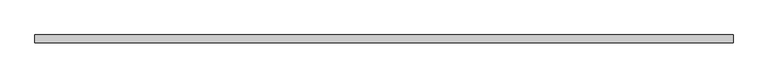
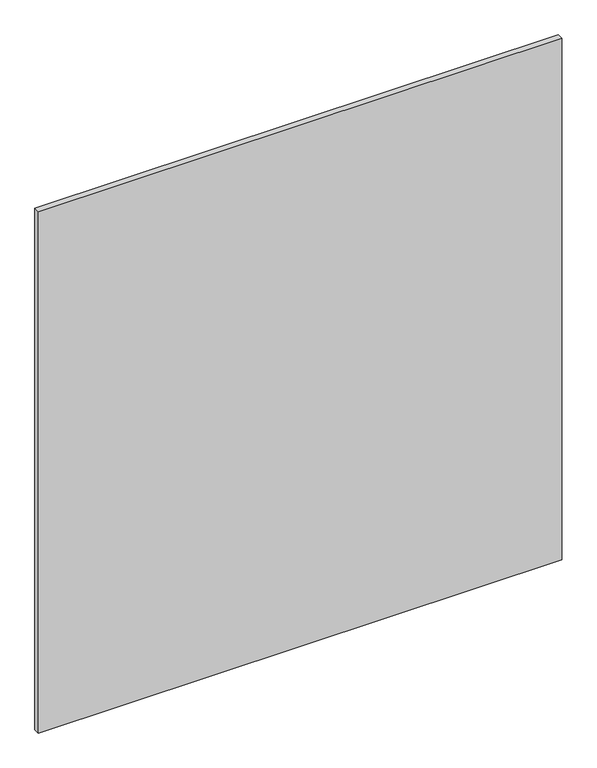
"""IFC4 building model written with IfcOpenShell, lengths in millimetres: plate geometry."""

from ifc_helpers import new_model, si_unit, origin, origin_with_axes, place, context, project, spatial, polyline, outline, extrude, source, transform, mapped, element, save


def plate_46d15c65(model_context):
    return source(origin(), model_context, "Body", "SweptSolid", [
        extrude(outline(polyline([(612.5, -64.0), (-612.5, -64.0), (-612.5, -50.0), (612.5, -50.0), (612.5, -64.0)])), origin_with_axes(), (0.0, 0.0, 1.0), 1290.0),
    ])


if __name__ == "__main__":
    model = new_model("IFC4")
    model_context = context("Model", 3, world=origin())
    ifc_project = project(units=[si_unit("LENGTHUNIT", "METRE", prefix="MILLI")], contexts=[model_context])
    site = spatial("IfcSite", under=ifc_project)
    building = spatial("IfcBuilding", under=site)
    placement = place(None, origin())
    plate_shape = plate_46d15c65(model_context)
    element("IfcPlate", 1, at=placement, inside=building, context=model_context, shape_type="MappedRepresentation", body=[
        mapped(plate_shape, transform((0.0, 0.0, 0.0), x_axis=(1.0, 0.0, 0.0), y_axis=(0.0, 1.0, 0.0), z_axis=(0.0, 0.0, 1.0))),
    ])
    save(model, "model.ifc")
